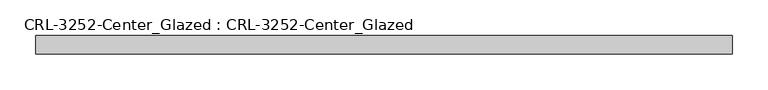
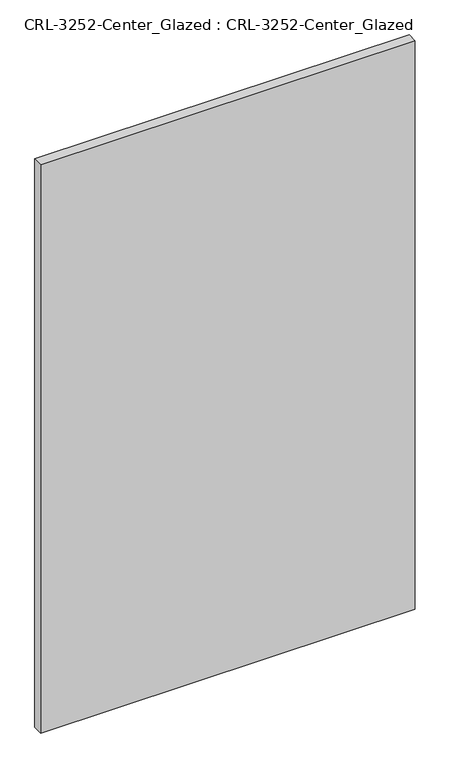
"""IFC4 building model written with IfcOpenShell, lengths in millimetres: plate geometry, CRL-3252-Center_Glazed : CRL-3252-Center_Glazed."""

from ifc_helpers import new_model, si_unit, origin, origin_with_axes, place, context, project, spatial, polyline, outline, extrude, source, transform, mapped, element, save


def crl_3252_center_glazed_crl_3252_center_glazed_3394a93b(model_context):
    return source(origin(), model_context, "Body", "SweptSolid", [
        extrude(outline(polyline([(486.1634092, 12.7), (486.1634092, -12.7), (-486.1634092, -12.7), (-486.1634092, 12.7), (486.1634092, 12.7)])), origin_with_axes(), (0.0, 0.0, 1.0), 1559.5661691),
    ])


if __name__ == "__main__":
    model = new_model("IFC4")
    model_context = context("Model", 3, world=origin())
    ifc_project = project(units=[si_unit("LENGTHUNIT", "METRE", prefix="MILLI")], contexts=[model_context])
    site = spatial("IfcSite", under=ifc_project)
    building = spatial("IfcBuilding", under=site)
    placement = place(None, origin())
    crl_3252_center_glazed_crl_3252_center_glazed_shape = crl_3252_center_glazed_crl_3252_center_glazed_3394a93b(model_context)
    element("IfcPlate", 1, ObjectType="CRL-3252-Center_Glazed : CRL-3252-Center_Glazed", at=placement, inside=building, context=model_context, shape_type="MappedRepresentation", body=[
        mapped(crl_3252_center_glazed_crl_3252_center_glazed_shape, transform((0.0, 0.0, 0.0), x_axis=(1.0, 0.0, 0.0), y_axis=(0.0, 1.0, 0.0), z_axis=(0.0, 0.0, 1.0))),
    ])
    save(model, "model.ifc")
